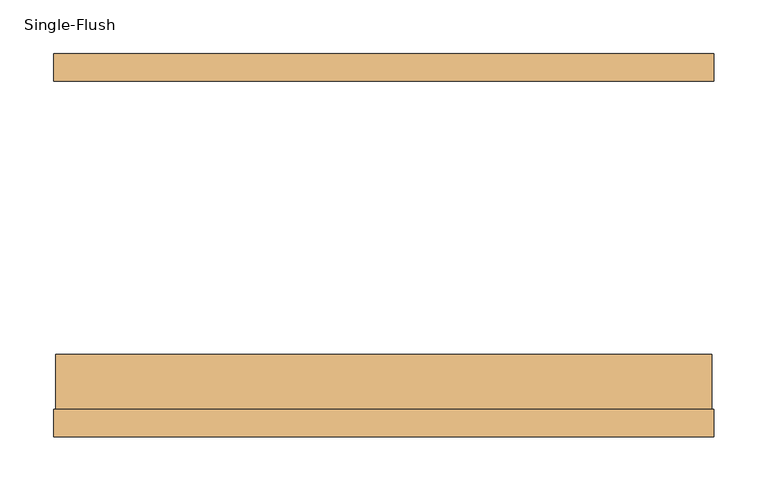
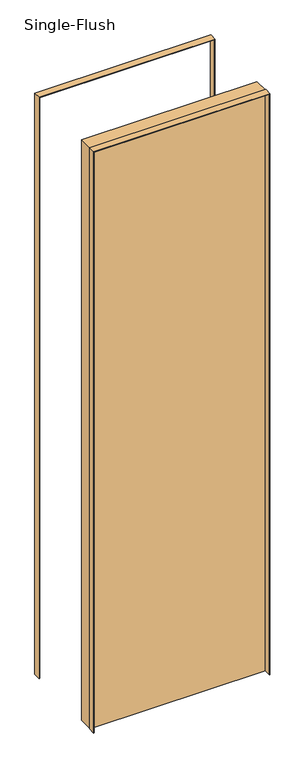
"""IFC4 building model written with IfcOpenShell, lengths in millimetres: door geometry, Single-Flush."""

from ifc_helpers import new_model, si_unit, frame, origin, origin_with_axes, place, context, project, spatial, polyline, outline, extrude, source, transform, mapped, element, save


def single_flush_48b41b5d(model_context):
    return source(origin(), model_context, "Body", "SweptSolid", [
        extrude(outline(polyline([(2135.1875, -306.3875), (0.0, -306.3875), (0.0, -304.8), (2133.6, -304.8), (2133.6, 304.8), (0.0, 304.8), (0.0, 306.3875), (2135.1875, 306.3875), (2135.1875, -306.3875)])), frame((0.0, -177.8, 0.0), z_axis=(0.0, 1.0, 0.0), x_axis=(0.0, 0.0, 1.0)), (0.0, 0.0, 1.0), 25.4),
        extrude(outline(polyline([(2135.1875, 306.3875), (2135.1875, -306.3875), (0.0, -306.3875), (0.0, -304.8), (2133.6, -304.8), (2133.6, 304.8), (0.0, 304.8), (0.0, 306.3875), (2135.1875, 306.3875)])), frame((0.0, 152.4, 0.0), z_axis=(0.0, 1.0, 0.0), x_axis=(0.0, 0.0, 1.0)), (0.0, 0.0, 1.0), 25.4),
        extrude(outline(polyline([(304.8, -101.6), (304.8, -152.4), (-304.8, -152.4), (-304.8, -101.6), (304.8, -101.6)])), origin_with_axes(), (0.0, 0.0, 1.0), 2133.6),
    ])


if __name__ == "__main__":
    model = new_model("IFC4")
    model_context = context("Model", 3, world=origin())
    ifc_project = project(units=[si_unit("LENGTHUNIT", "METRE", prefix="MILLI")], contexts=[model_context])
    site = spatial("IfcSite", under=ifc_project)
    building = spatial("IfcBuilding", under=site)
    placement = place(None, origin())
    single_flush_shape = single_flush_48b41b5d(model_context)
    element("IfcDoor", 1, ObjectType="Single-Flush", at=placement, inside=building, context=model_context, shape_type="MappedRepresentation", body=[
        mapped(single_flush_shape, transform((0.0, 0.0, 0.0), x_axis=(1.0, 0.0, 0.0), y_axis=(0.0, 1.0, 0.0), z_axis=(0.0, 0.0, 1.0))),
    ])
    save(model, "model.ifc")
